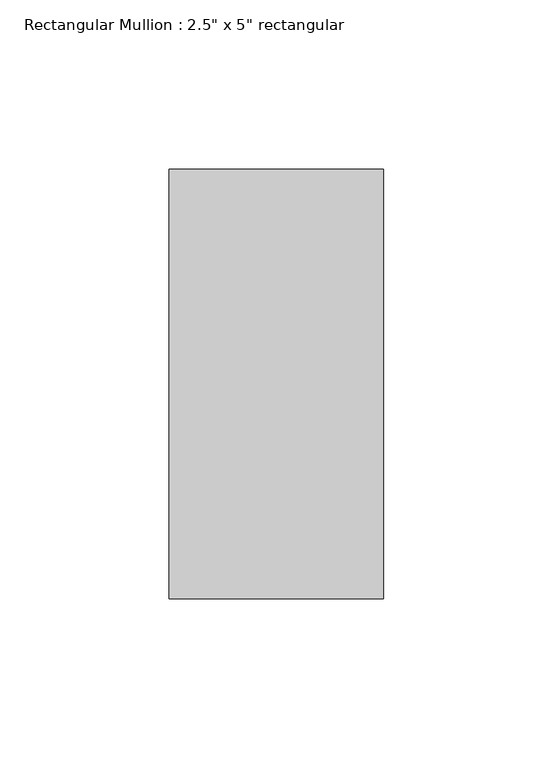
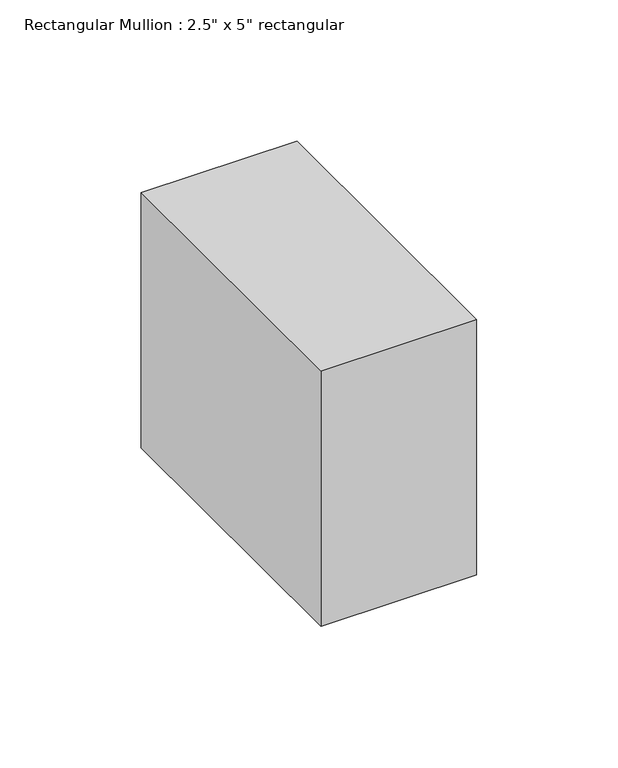
"""IFC4 building model written with IfcOpenShell, lengths in millimetres: member geometry."""

import ifcopenshell
import ifcopenshell.guid

model = None  # the IFC model being written
_history = None  # IfcOwnerHistory: only IFC2X3 demands one
_inside = {}  # id of a spatial element -> (the spatial element, [elements in it])
_under = {}  # id of a project, library or spatial element -> (it, [spatial elements below it])
_declared = {}  # id of a project -> (the project, [libraries it declares])
_typed = {}  # id of a type object -> (the type object, [elements of that type])
_made_of = {}  # id of a material, layer set ... -> (it, [elements and type objects made of it])


def new_model(schema):
    """Start an empty IFC model of exactly this schema.

    Asked for "IFC4X3", IfcOpenShell would pick the latest addendum, in which some entities
    have other attributes; the version numbers below select the first issue.
    IFC2X3 requires an IfcOwnerHistory on every rooted entity: one is made here for all.
    """
    global model, _history
    if schema == "IFC4X3":
        model = ifcopenshell.file(schema_version=(4, 3, 0, 0))
    else:
        model = ifcopenshell.file(schema=schema)
    _inside.clear()
    _under.clear()
    _declared.clear()
    _typed.clear()
    _made_of.clear()
    _history = None
    if model.schema == "IFC2X3":
        org = make("IfcOrganization", Name="unknown")
        user = make(
            "IfcPersonAndOrganization",
            ThePerson=make("IfcPerson", FamilyName="unknown"),
            TheOrganization=org,
        )
        app = make(
            "IfcApplication",
            ApplicationDeveloper=org,
            Version="unknown",
            ApplicationFullName="unknown",
            ApplicationIdentifier="unknown",
        )
        _history = make(
            "IfcOwnerHistory",
            OwningUser=user,
            OwningApplication=app,
            ChangeAction="ADDED",
            CreationDate=0,
        )
    return model


def make(cls, **values):
    """One entity of the class cls with the attributes given. An attribute that is None is left unset."""
    return model.create_entity(
        cls, **{name: value for name, value in values.items() if value is not None}
    )


def rooted(cls, **values):
    """An entity with a GlobalId (a new one), such as an element, a storey or a relation."""
    return make(cls, GlobalId=ifcopenshell.guid.new(), OwnerHistory=_history, **values)


def si_unit(unit_type, name, prefix=None):
    """IfcSIUnit, for example si_unit("LENGTHUNIT", "METRE", prefix="MILLI")."""
    return make("IfcSIUnit", UnitType=unit_type, Prefix=prefix, Name=name)


def assignment(units):
    """IfcUnitAssignment: the units of a project."""
    return None if units is None else make("IfcUnitAssignment", Units=units)


def point(xyz):
    """IfcCartesianPoint."""
    return None if xyz is None else make("IfcCartesianPoint", Coordinates=xyz)


def direction(xyz):
    """IfcDirection."""
    return None if xyz is None else make("IfcDirection", DirectionRatios=xyz)


def frame(location, z_axis=None, x_axis=None):
    """IfcAxis2Placement3D, a coordinate frame: its origin and axes. An axis left out is left unset."""
    return make(
        "IfcAxis2Placement3D",
        Location=point(location),
        Axis=direction(z_axis),
        RefDirection=direction(x_axis),
    )


def origin():
    """The frame at (0, 0, 0) with its axes left unset."""
    return frame((0.0, 0.0, 0.0))


def place(relative_to, where):
    """IfcLocalPlacement: puts the frame where relative to a parent placement (None: the world)."""
    return make(
        "IfcLocalPlacement", PlacementRelTo=relative_to, RelativePlacement=where
    )


def context(
    kind, dimensions, precision=None, world=None, true_north=None, identifier=None
):
    """IfcGeometricRepresentationContext, for example the 3D "Model" context."""
    return make(
        "IfcGeometricRepresentationContext",
        ContextIdentifier=identifier,
        ContextType=kind,
        CoordinateSpaceDimension=dimensions,
        Precision=precision,
        WorldCoordinateSystem=world,
        TrueNorth=true_north,
    )


def project(units=None, contexts=None):
    """IfcProject with its units and contexts."""
    return rooted(
        "IfcProject",
        Name="project",
        RepresentationContexts=contexts,
        UnitsInContext=assignment(units),
    )


def spatial(cls, under=None, at=None, **own):
    """A site, building, storey or space (cls), placed at a placement, below another one or the project."""
    s = rooted(cls, ObjectPlacement=at, **own)
    if under is not None:
        _under.setdefault(under.id(), (under, []))[1].append(s)
    return s


def polyline(points):
    """IfcPolyline through the points."""
    return make("IfcPolyline", Points=[point(p) for p in points])


def outline(outer, holes=None, kind="AREA"):
    """IfcArbitraryClosedProfileDef: a profile drawn as a closed curve; with holes, ...WithVoids."""
    if holes is None:
        return make("IfcArbitraryClosedProfileDef", ProfileType=kind, OuterCurve=outer)
    return make(
        "IfcArbitraryProfileDefWithVoids",
        ProfileType=kind,
        OuterCurve=outer,
        InnerCurves=holes,
    )


def extrude(swept, where, along, depth):
    """IfcExtrudedAreaSolid: the profile swept, set in the frame where, extruded along a direction by depth."""
    return make(
        "IfcExtrudedAreaSolid",
        SweptArea=swept,
        Position=where,
        ExtrudedDirection=direction(along),
        Depth=depth,
    )


def shape(context_of_items, identifier, shape_type, items):
    """IfcShapeRepresentation: the items that make up one representation, for example the "Body"."""
    return make(
        "IfcShapeRepresentation",
        ContextOfItems=context_of_items,
        RepresentationIdentifier=identifier,
        RepresentationType=shape_type,
        Items=items,
    )


def source(mapping_origin, context_of_items, identifier, shape_type, items):
    """IfcRepresentationMap: a shape defined once, which mapped items show again and again."""
    return make(
        "IfcRepresentationMap",
        MappingOrigin=mapping_origin,
        MappedRepresentation=shape(context_of_items, identifier, shape_type, items),
    )


def transform(
    local_origin,
    x_axis=None,
    y_axis=None,
    z_axis=None,
    scale=None,
    scale2=None,
    scale3=None,
    uniform=True,
):
    """IfcCartesianTransformationOperator3D, or its non-uniform kind. x_axis, y_axis, z_axis: its Axis1, 2, 3."""
    if uniform:
        return make(
            "IfcCartesianTransformationOperator3D",
            Axis1=direction(x_axis),
            Axis2=direction(y_axis),
            LocalOrigin=point(local_origin),
            Scale=scale,
            Axis3=direction(z_axis),
        )
    return make(
        "IfcCartesianTransformationOperator3DnonUniform",
        Axis1=direction(x_axis),
        Axis2=direction(y_axis),
        LocalOrigin=point(local_origin),
        Scale=scale,
        Axis3=direction(z_axis),
        Scale2=scale2,
        Scale3=scale3,
    )


def mapped(mapping_source, mapping_target):
    """IfcMappedItem: shows the shape of a source again, moved by a transform."""
    return make(
        "IfcMappedItem", MappingSource=mapping_source, MappingTarget=mapping_target
    )


def made_of(thing, what):
    """Note that an element or type object is made of a material, layer set ...; save() writes the relation."""
    if what is not None:
        _made_of.setdefault(what.id(), (what, []))[1].append(thing)
    return thing


def element(
    cls,
    number,
    at=None,
    inside=None,
    cuts=None,
    type_object=None,
    material=None,
    context=None,
    identifier="Body",
    shape_type=None,
    held_by="IfcProductDefinitionShape",
    body=None,
    shapes=None,
    **own,
):
    """One element of the class cls, such as IfcWall. Its Tag is "e" and its number.

    at: its placement. inside: the storey or other place that contains it. cuts: it is an
    opening in that element (IfcRelVoidsElement). A single representation is given by context,
    identifier, shape_type and body (its items); several are given by shapes. held_by: the class
    of the entity that holds the representations. save() writes the other relations.
    """
    e = rooted(cls, Tag="e%d" % number, ObjectPlacement=at, **own)
    if body is not None:
        shapes = [shape(context, identifier, shape_type, body)]
    if shapes is not None:
        e.Representation = make(held_by, Representations=shapes)
    if inside is not None:
        _inside.setdefault(inside.id(), (inside, []))[1].append(e)
    if cuts is not None:
        rooted(
            "IfcRelVoidsElement", RelatingBuildingElement=cuts, RelatedOpeningElement=e
        )
    if type_object is not None:
        _typed.setdefault(type_object.id(), (type_object, []))[1].append(e)
    return made_of(e, material)


def aggregate(whole, parts):
    """IfcRelAggregates: a whole, such as a stair, and the parts it consists of."""
    return rooted("IfcRelAggregates", RelatingObject=whole, RelatedObjects=parts)


def save(model, path):
    """Write the relations noted so far, then the file.

    IfcRelAggregates (storeys below a building ...), IfcRelContainedInSpatialStructure (elements
    in a storey), IfcRelDefinesByType, IfcRelAssociatesMaterial and IfcRelDeclares: one each for
    every whole, place, type object, material and project.
    """
    for whole, parts in _under.values():
        aggregate(whole, parts)
    for where, things in _inside.values():
        rooted(
            "IfcRelContainedInSpatialStructure",
            RelatedElements=things,
            RelatingStructure=where,
        )
    for kind, things in _typed.values():
        rooted("IfcRelDefinesByType", RelatedObjects=things, RelatingType=kind)
    for what, things in _made_of.values():
        rooted("IfcRelAssociatesMaterial", RelatedObjects=things, RelatingMaterial=what)
    for by, libraries in _declared.values():
        rooted("IfcRelDeclares", RelatingContext=by, RelatedDefinitions=libraries)
    model.write(path)


def member_bc9f0c80(model_context):
    return source(origin(), model_context, "Body", "SweptSolid", [
        extrude(outline(polyline([(31.75, 63.5), (31.75, -63.5), (-31.75, -63.5), (-31.75, 63.5), (31.75, 63.5)])), frame((0.0, 0.0, -110.0666667), z_axis=(0.0, 0.0, 1.0), x_axis=(1.0, 0.0, 0.0)), (0.0, 0.0, 1.0), 110.0666667),
    ])


if __name__ == "__main__":
    model = new_model("IFC4")
    model_context = context("Model", 3, world=origin())
    ifc_project = project(units=[si_unit("LENGTHUNIT", "METRE", prefix="MILLI")], contexts=[model_context])
    site = spatial("IfcSite", under=ifc_project)
    building = spatial("IfcBuilding", under=site)
    placement = place(None, origin())
    member_shape = member_bc9f0c80(model_context)
    element("IfcMember", 1, ObjectType="Rectangular Mullion : 2.5\" x 5\" rectangular", at=placement, inside=building, context=model_context, shape_type="MappedRepresentation", body=[
        mapped(member_shape, transform((0.0, 0.0, 0.0), x_axis=(1.0, 0.0, 0.0), y_axis=(0.0, 1.0, 0.0), z_axis=(0.0, 0.0, 1.0))),
    ])
    save(model, "model.ifc")
